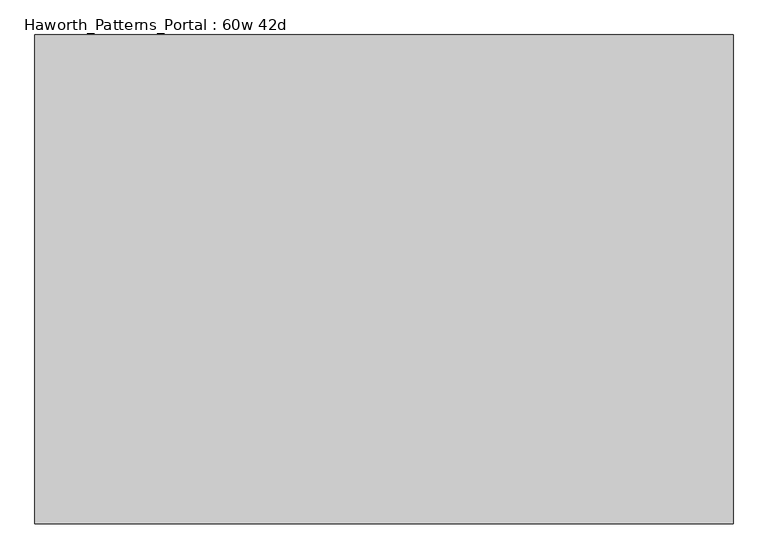
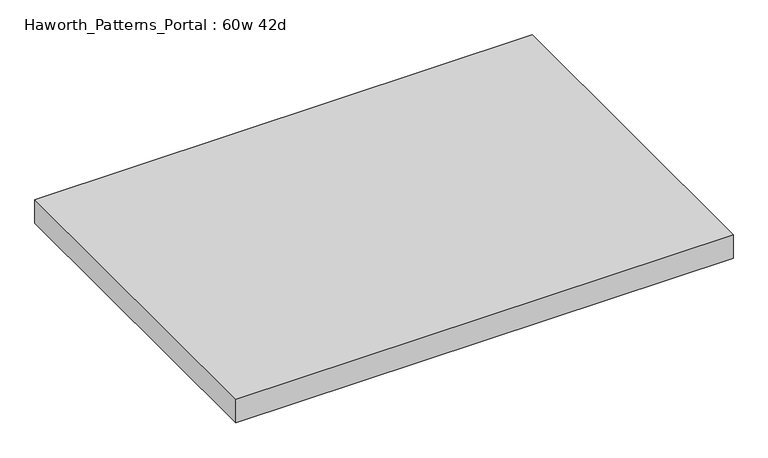
"""IFC4 building model written with IfcOpenShell, lengths in millimetres: furniture geometry, Haworth_Patterns_Portal : 60w 42d."""

from ifc_helpers import new_model, si_unit, frame, origin, place, context, project, spatial, polyline, outline, extrude, source, transform, mapped, element, save


def haworth_patterns_portal_60w_42d_0cfd3d5d(model_context):
    return source(origin(), model_context, "Body", "SweptSolid", [
        extrude(outline(polyline([(762.0, 533.4), (762.0, -533.4), (-762.0, -533.4), (-762.0, 533.4), (762.0, 533.4)])), frame((0.0, 0.0, 2349.5), z_axis=(0.0, 0.0, 1.0), x_axis=(1.0, 0.0, 0.0)), (0.0, 0.0, 1.0), 76.2),
    ])


if __name__ == "__main__":
    model = new_model("IFC4")
    model_context = context("Model", 3, world=origin())
    ifc_project = project(units=[si_unit("LENGTHUNIT", "METRE", prefix="MILLI")], contexts=[model_context])
    site = spatial("IfcSite", under=ifc_project)
    building = spatial("IfcBuilding", under=site)
    placement = place(None, origin())
    haworth_patterns_portal_60w_42d_shape = haworth_patterns_portal_60w_42d_0cfd3d5d(model_context)
    element("IfcFurniture", 1, ObjectType="Haworth_Patterns_Portal : 60w 42d", at=placement, inside=building, context=model_context, shape_type="MappedRepresentation", body=[
        mapped(haworth_patterns_portal_60w_42d_shape, transform((0.0, 0.0, 0.0), x_axis=(1.0, 0.0, 0.0), y_axis=(0.0, 1.0, 0.0), z_axis=(0.0, 0.0, 1.0))),
    ])
    save(model, "model.ifc")
